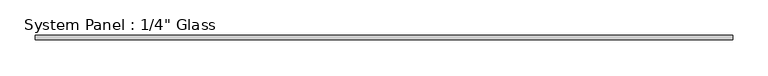
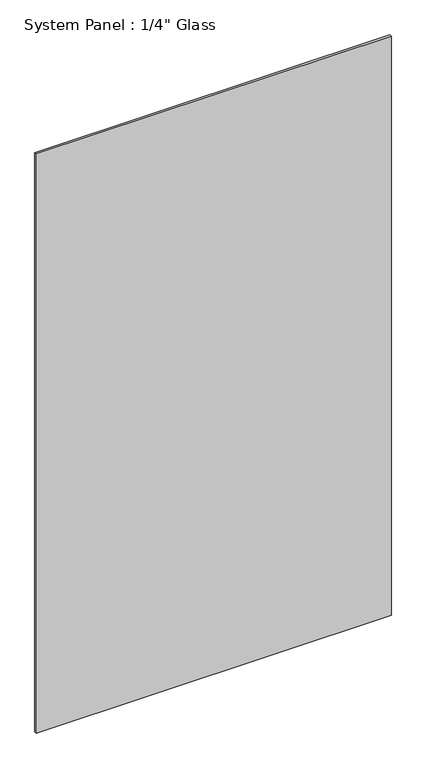
"""IFC4 building model written with IfcOpenShell, lengths in millimetres: plate geometry."""

from ifc_helpers import new_model, si_unit, origin, origin_with_axes, place, context, project, spatial, polyline, outline, extrude, source, transform, mapped, element, save


def plate_60637c13(model_context):
    return source(origin(), model_context, "Body", "SweptSolid", [
        extrude(outline(polyline([(491.8508405, -3.175), (-491.8508405, -3.175), (-491.8508405, 3.175), (491.8508405, 3.175), (491.8508405, -3.175)])), origin_with_axes(), (0.0, 0.0, 1.0), 1695.45),
    ])


if __name__ == "__main__":
    model = new_model("IFC4")
    model_context = context("Model", 3, world=origin())
    ifc_project = project(units=[si_unit("LENGTHUNIT", "METRE", prefix="MILLI")], contexts=[model_context])
    site = spatial("IfcSite", under=ifc_project)
    building = spatial("IfcBuilding", under=site)
    placement = place(None, origin())
    plate_shape = plate_60637c13(model_context)
    element("IfcPlate", 1, ObjectType="System Panel : 1/4\" Glass", at=placement, inside=building, context=model_context, shape_type="MappedRepresentation", body=[
        mapped(plate_shape, transform((0.0, 0.0, 0.0), x_axis=(1.0, 0.0, 0.0), y_axis=(0.0, 1.0, 0.0), z_axis=(0.0, 0.0, 1.0))),
    ])
    save(model, "model.ifc")
